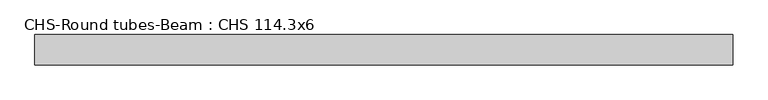
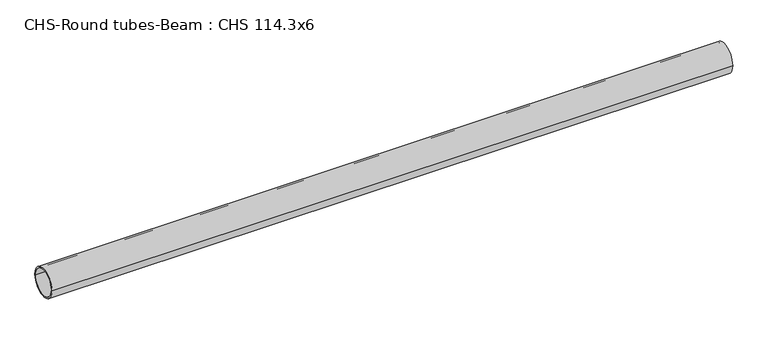
"""IFC4 building model written with IfcOpenShell, lengths in millimetres: beam geometry, CHS-Round tubes-Beam : CHS 114.3x6."""

from ifc_helpers import new_model, si_unit, point, frame, origin, origin_2d, place, context, project, spatial, circle_curve, trimmed, segment, composite_curve, outline, extrude, source, transform, mapped, element, save


def chs_round_tubes_beam_chs_114_3x6_31e67ec6(model_context):
    return source(origin(), model_context, "Body", "SweptSolid", [
        extrude(outline(composite_curve([segment(trimmed(circle_curve(origin_2d(), 57.15), [point((57.15, 0.0))], [point((-57.15, 0.0))], False, "CARTESIAN"), True, "CONTINUOUS"), segment(trimmed(circle_curve(origin_2d(), 57.15), [point((-57.15, 0.0))], [point((57.15, 0.0))], False, "CARTESIAN"), True, "CONTINUOUS")], self_intersect=False), holes=[composite_curve([segment(trimmed(circle_curve(origin_2d(), 51.15), [point((51.15, 0.0))], [point((-51.15, 0.0))], True, "CARTESIAN"), True, "CONTINUOUS"), segment(trimmed(circle_curve(origin_2d(), 51.15), [point((-51.15, 0.0))], [point((51.15, 0.0))], True, "CARTESIAN"), True, "CONTINUOUS")], self_intersect=False)]), frame((-1268.55004, 0.0, 0.0), z_axis=(1.0, 0.0, 0.0), x_axis=(0.0, 1.0, 0.0)), (0.0, 0.0, 1.0), 2637.1407531),
    ])


if __name__ == "__main__":
    model = new_model("IFC4")
    model_context = context("Model", 3, world=origin())
    ifc_project = project(units=[si_unit("LENGTHUNIT", "METRE", prefix="MILLI")], contexts=[model_context])
    site = spatial("IfcSite", under=ifc_project)
    building = spatial("IfcBuilding", under=site)
    placement = place(None, origin())
    chs_round_tubes_beam_chs_114_3x6_shape = chs_round_tubes_beam_chs_114_3x6_31e67ec6(model_context)
    element("IfcBeam", 1, ObjectType="CHS-Round tubes-Beam : CHS 114.3x6", at=placement, inside=building, context=model_context, shape_type="MappedRepresentation", body=[
        mapped(chs_round_tubes_beam_chs_114_3x6_shape, transform((0.0, 0.0, 0.0), x_axis=(1.0, 0.0, 0.0), y_axis=(0.0, 1.0, 0.0), z_axis=(0.0, 0.0, 1.0))),
    ])
    save(model, "model.ifc")
